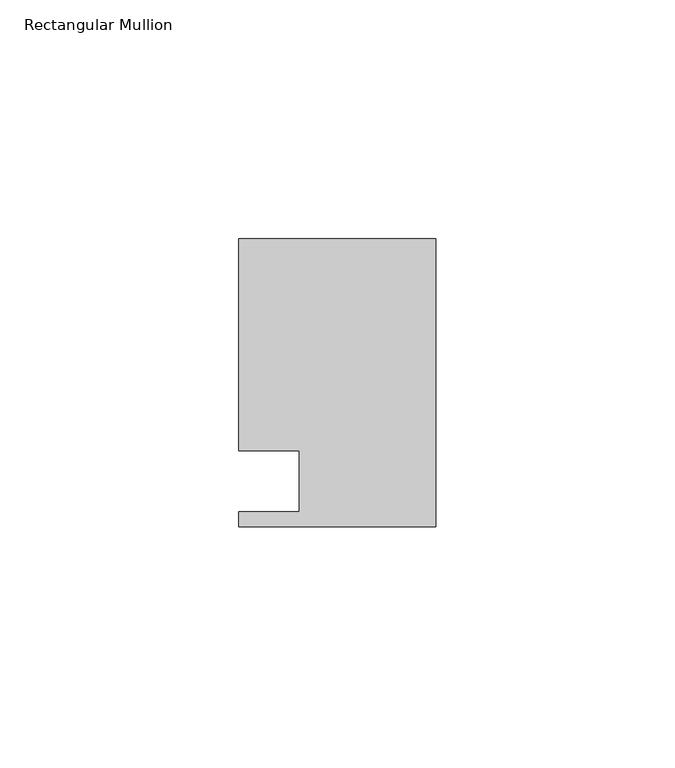
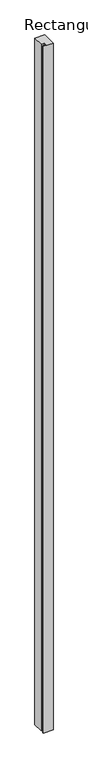
"""IFC4 building model written with IfcOpenShell, lengths in millimetres: member geometry, Rectangular Mullion."""

from ifc_helpers import new_model, si_unit, frame, origin, place, context, project, spatial, polyline, outline, extrude, source, transform, mapped, element, save


def rectangular_mullion_cc764b38(model_context):
    return source(origin(), model_context, "Body", "SweptSolid", [
        extrude(outline(polyline([(0.0, 30.1625), (0.0, -30.1625), (-41.275, -30.1625), (-41.275, -26.9875), (-28.575, -26.9875), (-28.575, -14.2875), (-41.275, -14.2875), (-41.275, 30.1625), (0.0, 30.1625)])), frame((0.0, 0.0, -3048.0), z_axis=(0.0, 0.0, 1.0), x_axis=(1.0, 0.0, 0.0)), (0.0, 0.0, 1.0), 3048.0),
    ])


if __name__ == "__main__":
    model = new_model("IFC4")
    model_context = context("Model", 3, world=origin())
    ifc_project = project(units=[si_unit("LENGTHUNIT", "METRE", prefix="MILLI")], contexts=[model_context])
    site = spatial("IfcSite", under=ifc_project)
    building = spatial("IfcBuilding", under=site)
    placement = place(None, origin())
    rectangular_mullion_shape = rectangular_mullion_cc764b38(model_context)
    element("IfcMember", 1, ObjectType="Rectangular Mullion", at=placement, inside=building, context=model_context, shape_type="MappedRepresentation", body=[
        mapped(rectangular_mullion_shape, transform((0.0, 0.0, 0.0), x_axis=(1.0, 0.0, 0.0), y_axis=(0.0, 1.0, 0.0), z_axis=(0.0, 0.0, 1.0))),
    ])
    save(model, "model.ifc")
